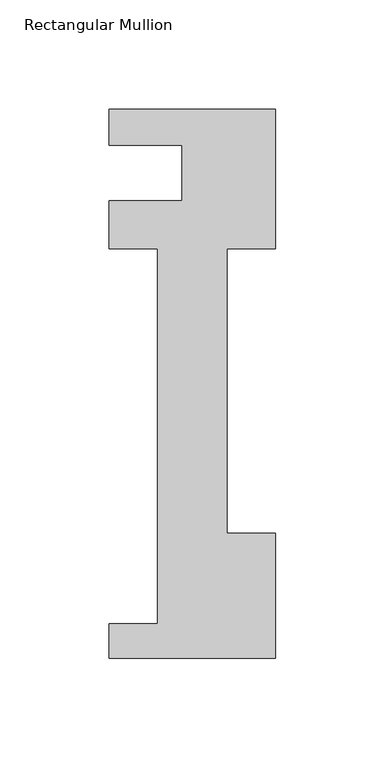
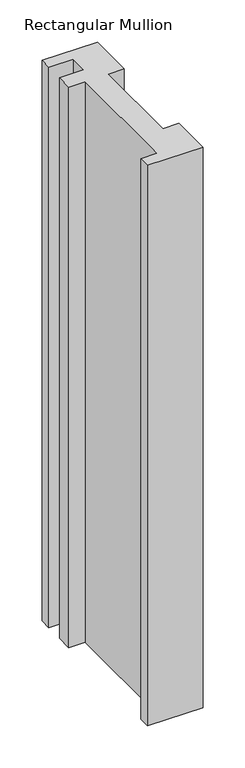
"""IFC4 building model written with IfcOpenShell, lengths in millimetres: member geometry, Rectangular Mullion."""

from ifc_helpers import new_model, si_unit, frame, origin, place, context, project, spatial, polyline, outline, extrude, source, transform, mapped, element, save


def rectangular_mullion_ee28d3fe(model_context):
    return source(origin(), model_context, "Body", "SweptSolid", [
        extrude(outline(polyline([(0.0, -221.996), (-76.2, -221.996), (-76.2, -206.121), (-53.975, -206.121), (-53.975, -34.671), (-76.2, -34.671), (-76.2, -12.7), (-42.8625, -12.7), (-42.8625, 12.7), (-76.2, 12.7), (-76.2, 29.0542503), (0.0, 29.0542503), (0.0, -34.671), (-22.225, -34.671), (-22.225, -164.7946959), (0.0, -164.7946959), (0.0, -221.996)])), frame((0.0, 0.0, -812.8), z_axis=(0.0, 0.0, 1.0), x_axis=(1.0, 0.0, 0.0)), (0.0, 0.0, 1.0), 812.8),
    ])


if __name__ == "__main__":
    model = new_model("IFC4")
    model_context = context("Model", 3, world=origin())
    ifc_project = project(units=[si_unit("LENGTHUNIT", "METRE", prefix="MILLI")], contexts=[model_context])
    site = spatial("IfcSite", under=ifc_project)
    building = spatial("IfcBuilding", under=site)
    placement = place(None, origin())
    rectangular_mullion_shape = rectangular_mullion_ee28d3fe(model_context)
    element("IfcMember", 1, ObjectType="Rectangular Mullion", at=placement, inside=building, context=model_context, shape_type="MappedRepresentation", body=[
        mapped(rectangular_mullion_shape, transform((0.0, 0.0, 0.0), x_axis=(1.0, 0.0, 0.0), y_axis=(0.0, 1.0, 0.0), z_axis=(0.0, 0.0, 1.0))),
    ])
    save(model, "model.ifc")
